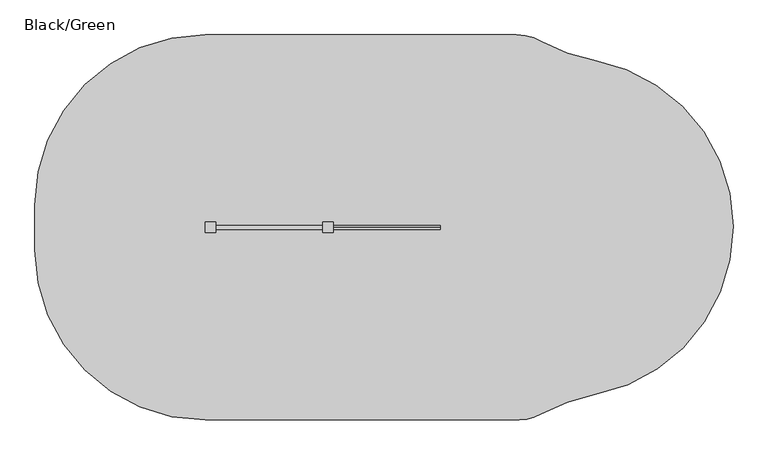
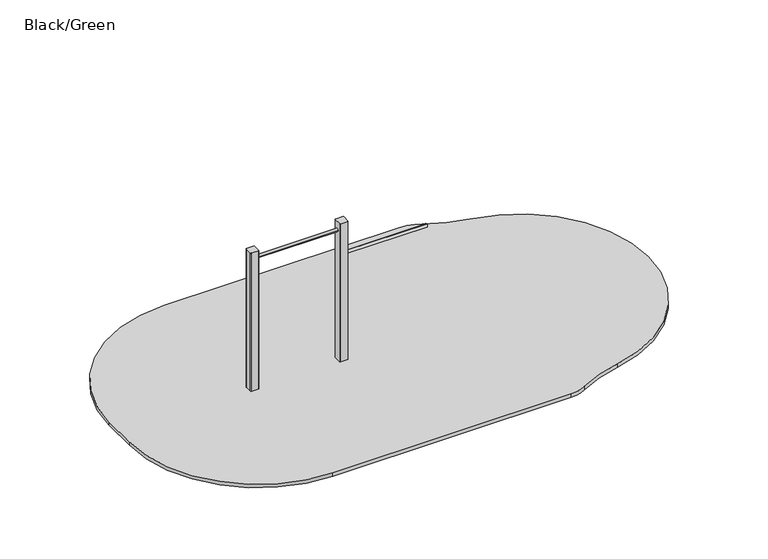
"""IFC4 building model written with IfcOpenShell, lengths in millimetres: furniture geometry, Black/Green."""

import ifcopenshell
import ifcopenshell.guid

model = None  # the IFC model being written
_history = None  # IfcOwnerHistory: only IFC2X3 demands one
_inside = {}  # id of a spatial element -> (the spatial element, [elements in it])
_under = {}  # id of a project, library or spatial element -> (it, [spatial elements below it])
_declared = {}  # id of a project -> (the project, [libraries it declares])
_typed = {}  # id of a type object -> (the type object, [elements of that type])
_made_of = {}  # id of a material, layer set ... -> (it, [elements and type objects made of it])


def new_model(schema):
    """Start an empty IFC model of exactly this schema.

    Asked for "IFC4X3", IfcOpenShell would pick the latest addendum, in which some entities
    have other attributes; the version numbers below select the first issue.
    IFC2X3 requires an IfcOwnerHistory on every rooted entity: one is made here for all.
    """
    global model, _history
    if schema == "IFC4X3":
        model = ifcopenshell.file(schema_version=(4, 3, 0, 0))
    else:
        model = ifcopenshell.file(schema=schema)
    _inside.clear()
    _under.clear()
    _declared.clear()
    _typed.clear()
    _made_of.clear()
    _history = None
    if model.schema == "IFC2X3":
        org = make("IfcOrganization", Name="unknown")
        user = make(
            "IfcPersonAndOrganization",
            ThePerson=make("IfcPerson", FamilyName="unknown"),
            TheOrganization=org,
        )
        app = make(
            "IfcApplication",
            ApplicationDeveloper=org,
            Version="unknown",
            ApplicationFullName="unknown",
            ApplicationIdentifier="unknown",
        )
        _history = make(
            "IfcOwnerHistory",
            OwningUser=user,
            OwningApplication=app,
            ChangeAction="ADDED",
            CreationDate=0,
        )
    return model


def make(cls, **values):
    """One entity of the class cls with the attributes given. An attribute that is None is left unset."""
    return model.create_entity(
        cls, **{name: value for name, value in values.items() if value is not None}
    )


def rooted(cls, **values):
    """An entity with a GlobalId (a new one), such as an element, a storey or a relation."""
    return make(cls, GlobalId=ifcopenshell.guid.new(), OwnerHistory=_history, **values)


def si_unit(unit_type, name, prefix=None):
    """IfcSIUnit, for example si_unit("LENGTHUNIT", "METRE", prefix="MILLI")."""
    return make("IfcSIUnit", UnitType=unit_type, Prefix=prefix, Name=name)


def assignment(units):
    """IfcUnitAssignment: the units of a project."""
    return None if units is None else make("IfcUnitAssignment", Units=units)


def point(xyz):
    """IfcCartesianPoint."""
    return None if xyz is None else make("IfcCartesianPoint", Coordinates=xyz)


def direction(xyz):
    """IfcDirection."""
    return None if xyz is None else make("IfcDirection", DirectionRatios=xyz)


def frame(location, z_axis=None, x_axis=None):
    """IfcAxis2Placement3D, a coordinate frame: its origin and axes. An axis left out is left unset."""
    return make(
        "IfcAxis2Placement3D",
        Location=point(location),
        Axis=direction(z_axis),
        RefDirection=direction(x_axis),
    )


def frame_2d(location, x_axis=None):
    """IfcAxis2Placement2D, a coordinate frame in the plane: its origin and x axis."""
    return make(
        "IfcAxis2Placement2D", Location=point(location), RefDirection=direction(x_axis)
    )


def origin():
    """The frame at (0, 0, 0) with its axes left unset."""
    return frame((0.0, 0.0, 0.0))


def place(relative_to, where):
    """IfcLocalPlacement: puts the frame where relative to a parent placement (None: the world)."""
    return make(
        "IfcLocalPlacement", PlacementRelTo=relative_to, RelativePlacement=where
    )


def context(
    kind, dimensions, precision=None, world=None, true_north=None, identifier=None
):
    """IfcGeometricRepresentationContext, for example the 3D "Model" context."""
    return make(
        "IfcGeometricRepresentationContext",
        ContextIdentifier=identifier,
        ContextType=kind,
        CoordinateSpaceDimension=dimensions,
        Precision=precision,
        WorldCoordinateSystem=world,
        TrueNorth=true_north,
    )


def project(units=None, contexts=None):
    """IfcProject with its units and contexts."""
    return rooted(
        "IfcProject",
        Name="project",
        RepresentationContexts=contexts,
        UnitsInContext=assignment(units),
    )


def spatial(cls, under=None, at=None, **own):
    """A site, building, storey or space (cls), placed at a placement, below another one or the project."""
    s = rooted(cls, ObjectPlacement=at, **own)
    if under is not None:
        _under.setdefault(under.id(), (under, []))[1].append(s)
    return s


def polyline(points):
    """IfcPolyline through the points."""
    return make("IfcPolyline", Points=[point(p) for p in points])


def circle_curve(where, radius):
    """IfcCircle in the frame where."""
    return make("IfcCircle", Position=where, Radius=radius)


def trimmed(basis, trim1, trim2, sense, master):
    """IfcTrimmedCurve: the piece of a basis curve between two trims."""
    return make(
        "IfcTrimmedCurve",
        BasisCurve=basis,
        Trim1=trim1,
        Trim2=trim2,
        SenseAgreement=sense,
        MasterRepresentation=master,
    )


def segment(curve, same_sense, transition):
    """IfcCompositeCurveSegment."""
    return make(
        "IfcCompositeCurveSegment",
        Transition=transition,
        SameSense=same_sense,
        ParentCurve=curve,
    )


def composite_curve(segments, self_intersect=None):
    """IfcCompositeCurve: segments joined end to end."""
    return make("IfcCompositeCurve", Segments=segments, SelfIntersect=self_intersect)


def outline(outer, holes=None, kind="AREA"):
    """IfcArbitraryClosedProfileDef: a profile drawn as a closed curve; with holes, ...WithVoids."""
    if holes is None:
        return make("IfcArbitraryClosedProfileDef", ProfileType=kind, OuterCurve=outer)
    return make(
        "IfcArbitraryProfileDefWithVoids",
        ProfileType=kind,
        OuterCurve=outer,
        InnerCurves=holes,
    )


def extrude(swept, where, along, depth):
    """IfcExtrudedAreaSolid: the profile swept, set in the frame where, extruded along a direction by depth."""
    return make(
        "IfcExtrudedAreaSolid",
        SweptArea=swept,
        Position=where,
        ExtrudedDirection=direction(along),
        Depth=depth,
    )


def shape(context_of_items, identifier, shape_type, items):
    """IfcShapeRepresentation: the items that make up one representation, for example the "Body"."""
    return make(
        "IfcShapeRepresentation",
        ContextOfItems=context_of_items,
        RepresentationIdentifier=identifier,
        RepresentationType=shape_type,
        Items=items,
    )


def source(mapping_origin, context_of_items, identifier, shape_type, items):
    """IfcRepresentationMap: a shape defined once, which mapped items show again and again."""
    return make(
        "IfcRepresentationMap",
        MappingOrigin=mapping_origin,
        MappedRepresentation=shape(context_of_items, identifier, shape_type, items),
    )


def transform(
    local_origin,
    x_axis=None,
    y_axis=None,
    z_axis=None,
    scale=None,
    scale2=None,
    scale3=None,
    uniform=True,
):
    """IfcCartesianTransformationOperator3D, or its non-uniform kind. x_axis, y_axis, z_axis: its Axis1, 2, 3."""
    if uniform:
        return make(
            "IfcCartesianTransformationOperator3D",
            Axis1=direction(x_axis),
            Axis2=direction(y_axis),
            LocalOrigin=point(local_origin),
            Scale=scale,
            Axis3=direction(z_axis),
        )
    return make(
        "IfcCartesianTransformationOperator3DnonUniform",
        Axis1=direction(x_axis),
        Axis2=direction(y_axis),
        LocalOrigin=point(local_origin),
        Scale=scale,
        Axis3=direction(z_axis),
        Scale2=scale2,
        Scale3=scale3,
    )


def mapped(mapping_source, mapping_target):
    """IfcMappedItem: shows the shape of a source again, moved by a transform."""
    return make(
        "IfcMappedItem", MappingSource=mapping_source, MappingTarget=mapping_target
    )


def made_of(thing, what):
    """Note that an element or type object is made of a material, layer set ...; save() writes the relation."""
    if what is not None:
        _made_of.setdefault(what.id(), (what, []))[1].append(thing)
    return thing


def element(
    cls,
    number,
    at=None,
    inside=None,
    cuts=None,
    type_object=None,
    material=None,
    context=None,
    identifier="Body",
    shape_type=None,
    held_by="IfcProductDefinitionShape",
    body=None,
    shapes=None,
    **own,
):
    """One element of the class cls, such as IfcWall. Its Tag is "e" and its number.

    at: its placement. inside: the storey or other place that contains it. cuts: it is an
    opening in that element (IfcRelVoidsElement). A single representation is given by context,
    identifier, shape_type and body (its items); several are given by shapes. held_by: the class
    of the entity that holds the representations. save() writes the other relations.
    """
    e = rooted(cls, Tag="e%d" % number, ObjectPlacement=at, **own)
    if body is not None:
        shapes = [shape(context, identifier, shape_type, body)]
    if shapes is not None:
        e.Representation = make(held_by, Representations=shapes)
    if inside is not None:
        _inside.setdefault(inside.id(), (inside, []))[1].append(e)
    if cuts is not None:
        rooted(
            "IfcRelVoidsElement", RelatingBuildingElement=cuts, RelatedOpeningElement=e
        )
    if type_object is not None:
        _typed.setdefault(type_object.id(), (type_object, []))[1].append(e)
    return made_of(e, material)


def aggregate(whole, parts):
    """IfcRelAggregates: a whole, such as a stair, and the parts it consists of."""
    return rooted("IfcRelAggregates", RelatingObject=whole, RelatedObjects=parts)


def save(model, path):
    """Write the relations noted so far, then the file.

    IfcRelAggregates (storeys below a building ...), IfcRelContainedInSpatialStructure (elements
    in a storey), IfcRelDefinesByType, IfcRelAssociatesMaterial and IfcRelDeclares: one each for
    every whole, place, type object, material and project.
    """
    for whole, parts in _under.values():
        aggregate(whole, parts)
    for where, things in _inside.values():
        rooted(
            "IfcRelContainedInSpatialStructure",
            RelatedElements=things,
            RelatingStructure=where,
        )
    for kind, things in _typed.values():
        rooted("IfcRelDefinesByType", RelatedObjects=things, RelatingType=kind)
    for what, things in _made_of.values():
        rooted("IfcRelAssociatesMaterial", RelatedObjects=things, RelatingMaterial=what)
    for by, libraries in _declared.values():
        rooted("IfcRelDeclares", RelatingContext=by, RelatedDefinitions=libraries)
    model.write(path)


def black_green_e6cc7529(model_context):
    return source(origin(), model_context, "Body", "SweptSolid", [
        extrude(outline(composite_curve([segment(trimmed(circle_curve(frame_2d((-504.5, 247.5)), 5.0), [point((-504.5, 252.5))], [point((-499.5, 247.5))], False, "CARTESIAN"), True, "CONTINUOUS"), segment(polyline([(-499.5, 247.5), (-499.5, 162.5)]), True, "CONTINUOUS"), segment(trimmed(circle_curve(frame_2d((-504.5, 162.5)), 5.0), [point((-499.5, 162.5))], [point((-504.5, 157.5))], False, "CARTESIAN"), True, "CONTINUOUS"), segment(polyline([(-504.5, 157.5), (-589.5, 157.5)]), True, "CONTINUOUS"), segment(trimmed(circle_curve(frame_2d((-589.5, 162.5)), 5.0), [point((-589.5, 157.5))], [point((-594.5, 162.5))], False, "CARTESIAN"), True, "CONTINUOUS"), segment(polyline([(-594.5, 162.5), (-594.5, 247.5)]), True, "CONTINUOUS"), segment(trimmed(circle_curve(frame_2d((-589.5, 247.5)), 5.0), [point((-594.5, 247.5))], [point((-589.5, 252.5))], False, "CARTESIAN"), True, "CONTINUOUS"), segment(polyline([(-589.5, 252.5), (-504.5, 252.5)]), True, "CONTINUOUS")], self_intersect=False)), frame((0.0, 0.0, -100.0), z_axis=(0.0, 0.0, 1.0), x_axis=(1.0, 0.0, 0.0)), (0.0, 0.0, 1.0), 1800.0),
        extrude(outline(composite_curve([segment(trimmed(circle_curve(frame_2d((530.5, 247.5)), 5.0), [point((530.5, 252.5))], [point((535.5, 247.5))], False, "CARTESIAN"), True, "CONTINUOUS"), segment(polyline([(535.5, 247.5), (535.5, 162.5)]), True, "CONTINUOUS"), segment(trimmed(circle_curve(frame_2d((530.5, 162.5)), 5.0), [point((535.5, 162.5))], [point((530.5, 157.5))], False, "CARTESIAN"), True, "CONTINUOUS"), segment(polyline([(530.5, 157.5), (445.5, 157.5)]), True, "CONTINUOUS"), segment(trimmed(circle_curve(frame_2d((445.5, 162.5)), 5.0), [point((445.5, 157.5))], [point((440.5, 162.5))], False, "CARTESIAN"), True, "CONTINUOUS"), segment(polyline([(440.5, 162.5), (440.5, 247.5)]), True, "CONTINUOUS"), segment(trimmed(circle_curve(frame_2d((445.5, 247.5)), 5.0), [point((440.5, 247.5))], [point((445.5, 252.5))], False, "CARTESIAN"), True, "CONTINUOUS"), segment(polyline([(445.5, 252.5), (530.5, 252.5)]), True, "CONTINUOUS")], self_intersect=False)), frame((0.0, 0.0, -100.0), z_axis=(0.0, 0.0, 1.0), x_axis=(1.0, 0.0, 0.0)), (0.0, 0.0, 1.0), 1800.0),
        extrude(outline(composite_curve([segment(trimmed(circle_curve(frame_2d((2146.2885739, 1433.0)), 470.0), [point((2146.2885739, 1903.0))], [point((2373.8708153, 1844.2253925))], False, "CARTESIAN"), True, "CONTINUOUS"), segment(trimmed(circle_curve(frame_2d((3109.8814682, 3174.1458107)), 1520.0), [point((2373.8708153, 1844.2253925))], [point((2832.113312, 1679.7412967))], True, "CARTESIAN"), True, "CONTINUOUS"), segment(trimmed(circle_curve(frame_2d((2558.0, 205.0)), 1500.0), [point((2832.113312, 1679.7412967))], [point((2844.9362746, -1267.3000965))], False, "CARTESIAN"), True, "CONTINUOUS"), segment(trimmed(circle_curve(frame_2d((3159.6097225, -2881.9225358)), 1645.0), [point((2844.9362746, -1267.3000965))], [point((2358.9079596, -1444.9459573))], True, "CARTESIAN"), True, "CONTINUOUS"), segment(trimmed(circle_curve(frame_2d((2173.9434187, -1113.0)), 380.0), [point((2358.9079596, -1444.9459573))], [point((2173.9434187, -1493.0))], False, "CARTESIAN"), True, "CONTINUOUS"), segment(polyline([(2173.9434187, -1493.0), (-595.0, -1493.0)]), True, "CONTINUOUS"), segment(trimmed(circle_curve(frame_2d((-595.0, 7.0)), 1500.0), [point((-595.0, -1493.0))], [point((-2095.0, 7.0))], False, "CARTESIAN"), True, "CONTINUOUS"), segment(polyline([(-2095.0, 7.0), (-2095.0, 403.0)]), True, "CONTINUOUS"), segment(trimmed(circle_curve(frame_2d((-595.0, 403.0)), 1500.0), [point((-2095.0, 403.0))], [point((-595.0, 1903.0))], False, "CARTESIAN"), True, "CONTINUOUS"), segment(polyline([(-595.0, 1903.0), (2146.2885739, 1903.0)]), True, "CONTINUOUS")], self_intersect=False)), frame((0.0, 0.0, -40.0), z_axis=(0.0, 0.0, 1.0), x_axis=(1.0, 0.0, 0.0)), (0.0, 0.0, 1.0), 41.0),
        extrude(outline(composite_curve([segment(trimmed(circle_curve(frame_2d((205.0, 1293.0)), 17.0), [point((205.0, 1310.0))], [point((205.0, 1276.0))], False, "CARTESIAN"), True, "CONTINUOUS"), segment(trimmed(circle_curve(frame_2d((205.0, 1293.0)), 17.0), [point((205.0, 1276.0))], [point((205.0, 1310.0))], False, "CARTESIAN"), True, "CONTINUOUS")], self_intersect=False)), frame((535.5, 0.0, 0.0), z_axis=(1.0, 0.0, 0.0), x_axis=(0.0, 1.0, 0.0)), (0.0, 0.0, 1.0), 940.0),
        extrude(outline(composite_curve([segment(trimmed(circle_curve(frame_2d((205.0, 1599.9021337)), 17.0), [point((188.0, 1599.9021337))], [point((222.0, 1599.9021337))], False, "CARTESIAN"), True, "CONTINUOUS"), segment(trimmed(circle_curve(frame_2d((205.0, 1599.9021337)), 17.0), [point((222.0, 1599.9021337))], [point((188.0, 1599.9021337))], False, "CARTESIAN"), True, "CONTINUOUS")], self_intersect=False)), frame((-499.5, 0.0, 0.0), z_axis=(1.0, 0.0, 0.0), x_axis=(0.0, 1.0, 0.0)), (0.0, 0.0, 1.0), 940.0),
    ])


if __name__ == "__main__":
    model = new_model("IFC4")
    model_context = context("Model", 3, world=origin())
    ifc_project = project(units=[si_unit("LENGTHUNIT", "METRE", prefix="MILLI")], contexts=[model_context])
    site = spatial("IfcSite", under=ifc_project)
    building = spatial("IfcBuilding", under=site)
    placement = place(None, origin())
    black_green_shape = black_green_e6cc7529(model_context)
    element("IfcFurniture", 1, ObjectType="Black/Green", at=placement, inside=building, context=model_context, shape_type="MappedRepresentation", body=[
        mapped(black_green_shape, transform((0.0, 0.0, 0.0), x_axis=(1.0, 0.0, 0.0), y_axis=(0.0, 1.0, 0.0), z_axis=(0.0, 0.0, 1.0))),
    ])
    save(model, "model.ifc")
